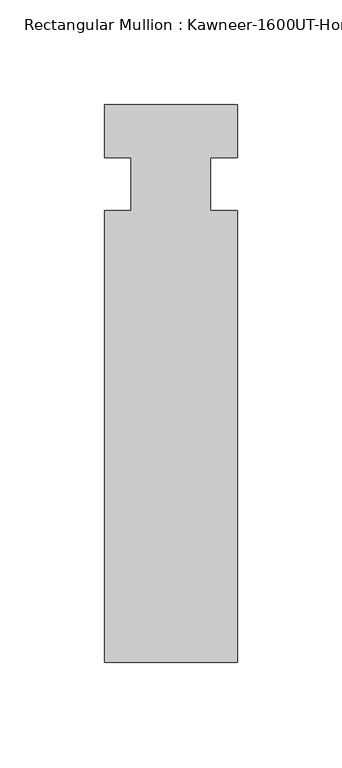
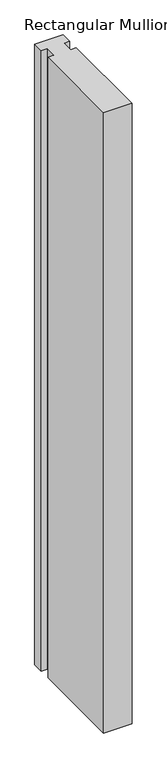
"""IFC4 building model written with IfcOpenShell, lengths in millimetres: member geometry."""

import ifcopenshell
import ifcopenshell.guid

model = None  # the IFC model being written
_history = None  # IfcOwnerHistory: only IFC2X3 demands one
_inside = {}  # id of a spatial element -> (the spatial element, [elements in it])
_under = {}  # id of a project, library or spatial element -> (it, [spatial elements below it])
_declared = {}  # id of a project -> (the project, [libraries it declares])
_typed = {}  # id of a type object -> (the type object, [elements of that type])
_made_of = {}  # id of a material, layer set ... -> (it, [elements and type objects made of it])


def new_model(schema):
    """Start an empty IFC model of exactly this schema.

    Asked for "IFC4X3", IfcOpenShell would pick the latest addendum, in which some entities
    have other attributes; the version numbers below select the first issue.
    IFC2X3 requires an IfcOwnerHistory on every rooted entity: one is made here for all.
    """
    global model, _history
    if schema == "IFC4X3":
        model = ifcopenshell.file(schema_version=(4, 3, 0, 0))
    else:
        model = ifcopenshell.file(schema=schema)
    _inside.clear()
    _under.clear()
    _declared.clear()
    _typed.clear()
    _made_of.clear()
    _history = None
    if model.schema == "IFC2X3":
        org = make("IfcOrganization", Name="unknown")
        user = make(
            "IfcPersonAndOrganization",
            ThePerson=make("IfcPerson", FamilyName="unknown"),
            TheOrganization=org,
        )
        app = make(
            "IfcApplication",
            ApplicationDeveloper=org,
            Version="unknown",
            ApplicationFullName="unknown",
            ApplicationIdentifier="unknown",
        )
        _history = make(
            "IfcOwnerHistory",
            OwningUser=user,
            OwningApplication=app,
            ChangeAction="ADDED",
            CreationDate=0,
        )
    return model


def make(cls, **values):
    """One entity of the class cls with the attributes given. An attribute that is None is left unset."""
    return model.create_entity(
        cls, **{name: value for name, value in values.items() if value is not None}
    )


def rooted(cls, **values):
    """An entity with a GlobalId (a new one), such as an element, a storey or a relation."""
    return make(cls, GlobalId=ifcopenshell.guid.new(), OwnerHistory=_history, **values)


def si_unit(unit_type, name, prefix=None):
    """IfcSIUnit, for example si_unit("LENGTHUNIT", "METRE", prefix="MILLI")."""
    return make("IfcSIUnit", UnitType=unit_type, Prefix=prefix, Name=name)


def assignment(units):
    """IfcUnitAssignment: the units of a project."""
    return None if units is None else make("IfcUnitAssignment", Units=units)


def point(xyz):
    """IfcCartesianPoint."""
    return None if xyz is None else make("IfcCartesianPoint", Coordinates=xyz)


def direction(xyz):
    """IfcDirection."""
    return None if xyz is None else make("IfcDirection", DirectionRatios=xyz)


def frame(location, z_axis=None, x_axis=None):
    """IfcAxis2Placement3D, a coordinate frame: its origin and axes. An axis left out is left unset."""
    return make(
        "IfcAxis2Placement3D",
        Location=point(location),
        Axis=direction(z_axis),
        RefDirection=direction(x_axis),
    )


def origin():
    """The frame at (0, 0, 0) with its axes left unset."""
    return frame((0.0, 0.0, 0.0))


def place(relative_to, where):
    """IfcLocalPlacement: puts the frame where relative to a parent placement (None: the world)."""
    return make(
        "IfcLocalPlacement", PlacementRelTo=relative_to, RelativePlacement=where
    )


def context(
    kind, dimensions, precision=None, world=None, true_north=None, identifier=None
):
    """IfcGeometricRepresentationContext, for example the 3D "Model" context."""
    return make(
        "IfcGeometricRepresentationContext",
        ContextIdentifier=identifier,
        ContextType=kind,
        CoordinateSpaceDimension=dimensions,
        Precision=precision,
        WorldCoordinateSystem=world,
        TrueNorth=true_north,
    )


def project(units=None, contexts=None):
    """IfcProject with its units and contexts."""
    return rooted(
        "IfcProject",
        Name="project",
        RepresentationContexts=contexts,
        UnitsInContext=assignment(units),
    )


def spatial(cls, under=None, at=None, **own):
    """A site, building, storey or space (cls), placed at a placement, below another one or the project."""
    s = rooted(cls, ObjectPlacement=at, **own)
    if under is not None:
        _under.setdefault(under.id(), (under, []))[1].append(s)
    return s


def polyline(points):
    """IfcPolyline through the points."""
    return make("IfcPolyline", Points=[point(p) for p in points])


def outline(outer, holes=None, kind="AREA"):
    """IfcArbitraryClosedProfileDef: a profile drawn as a closed curve; with holes, ...WithVoids."""
    if holes is None:
        return make("IfcArbitraryClosedProfileDef", ProfileType=kind, OuterCurve=outer)
    return make(
        "IfcArbitraryProfileDefWithVoids",
        ProfileType=kind,
        OuterCurve=outer,
        InnerCurves=holes,
    )


def extrude(swept, where, along, depth):
    """IfcExtrudedAreaSolid: the profile swept, set in the frame where, extruded along a direction by depth."""
    return make(
        "IfcExtrudedAreaSolid",
        SweptArea=swept,
        Position=where,
        ExtrudedDirection=direction(along),
        Depth=depth,
    )


def shape(context_of_items, identifier, shape_type, items):
    """IfcShapeRepresentation: the items that make up one representation, for example the "Body"."""
    return make(
        "IfcShapeRepresentation",
        ContextOfItems=context_of_items,
        RepresentationIdentifier=identifier,
        RepresentationType=shape_type,
        Items=items,
    )


def source(mapping_origin, context_of_items, identifier, shape_type, items):
    """IfcRepresentationMap: a shape defined once, which mapped items show again and again."""
    return make(
        "IfcRepresentationMap",
        MappingOrigin=mapping_origin,
        MappedRepresentation=shape(context_of_items, identifier, shape_type, items),
    )


def transform(
    local_origin,
    x_axis=None,
    y_axis=None,
    z_axis=None,
    scale=None,
    scale2=None,
    scale3=None,
    uniform=True,
):
    """IfcCartesianTransformationOperator3D, or its non-uniform kind. x_axis, y_axis, z_axis: its Axis1, 2, 3."""
    if uniform:
        return make(
            "IfcCartesianTransformationOperator3D",
            Axis1=direction(x_axis),
            Axis2=direction(y_axis),
            LocalOrigin=point(local_origin),
            Scale=scale,
            Axis3=direction(z_axis),
        )
    return make(
        "IfcCartesianTransformationOperator3DnonUniform",
        Axis1=direction(x_axis),
        Axis2=direction(y_axis),
        LocalOrigin=point(local_origin),
        Scale=scale,
        Axis3=direction(z_axis),
        Scale2=scale2,
        Scale3=scale3,
    )


def mapped(mapping_source, mapping_target):
    """IfcMappedItem: shows the shape of a source again, moved by a transform."""
    return make(
        "IfcMappedItem", MappingSource=mapping_source, MappingTarget=mapping_target
    )


def made_of(thing, what):
    """Note that an element or type object is made of a material, layer set ...; save() writes the relation."""
    if what is not None:
        _made_of.setdefault(what.id(), (what, []))[1].append(thing)
    return thing


def element(
    cls,
    number,
    at=None,
    inside=None,
    cuts=None,
    type_object=None,
    material=None,
    context=None,
    identifier="Body",
    shape_type=None,
    held_by="IfcProductDefinitionShape",
    body=None,
    shapes=None,
    **own,
):
    """One element of the class cls, such as IfcWall. Its Tag is "e" and its number.

    at: its placement. inside: the storey or other place that contains it. cuts: it is an
    opening in that element (IfcRelVoidsElement). A single representation is given by context,
    identifier, shape_type and body (its items); several are given by shapes. held_by: the class
    of the entity that holds the representations. save() writes the other relations.
    """
    e = rooted(cls, Tag="e%d" % number, ObjectPlacement=at, **own)
    if body is not None:
        shapes = [shape(context, identifier, shape_type, body)]
    if shapes is not None:
        e.Representation = make(held_by, Representations=shapes)
    if inside is not None:
        _inside.setdefault(inside.id(), (inside, []))[1].append(e)
    if cuts is not None:
        rooted(
            "IfcRelVoidsElement", RelatingBuildingElement=cuts, RelatedOpeningElement=e
        )
    if type_object is not None:
        _typed.setdefault(type_object.id(), (type_object, []))[1].append(e)
    return made_of(e, material)


def aggregate(whole, parts):
    """IfcRelAggregates: a whole, such as a stair, and the parts it consists of."""
    return rooted("IfcRelAggregates", RelatingObject=whole, RelatedObjects=parts)


def save(model, path):
    """Write the relations noted so far, then the file.

    IfcRelAggregates (storeys below a building ...), IfcRelContainedInSpatialStructure (elements
    in a storey), IfcRelDefinesByType, IfcRelAssociatesMaterial and IfcRelDeclares: one each for
    every whole, place, type object, material and project.
    """
    for whole, parts in _under.values():
        aggregate(whole, parts)
    for where, things in _inside.values():
        rooted(
            "IfcRelContainedInSpatialStructure",
            RelatedElements=things,
            RelatingStructure=where,
        )
    for kind, things in _typed.values():
        rooted("IfcRelDefinesByType", RelatedObjects=things, RelatingType=kind)
    for what, things in _made_of.values():
        rooted("IfcRelAssociatesMaterial", RelatedObjects=things, RelatingMaterial=what)
    for by, libraries in _declared.values():
        rooted("IfcRelDeclares", RelatingContext=by, RelatedDefinitions=libraries)
    model.write(path)


def member_eae1bea2(model_context):
    return source(origin(), model_context, "Body", "SweptSolid", [
        extrude(outline(polyline([(31.75, -228.6), (-31.75, -228.6), (-31.75, -12.7), (-19.05, -12.7), (-19.05, 12.7), (-31.75, 12.7), (-31.75, 38.1), (31.75, 38.1), (31.75, 12.7), (19.05, 12.7), (19.05, -12.7), (31.75, -12.7), (31.75, -228.6)])), frame((0.0, 0.0, -1463.675), z_axis=(0.0, 0.0, 1.0), x_axis=(1.0, 0.0, 0.0)), (0.0, 0.0, 1.0), 1463.675),
    ])


if __name__ == "__main__":
    model = new_model("IFC4")
    model_context = context("Model", 3, world=origin())
    ifc_project = project(units=[si_unit("LENGTHUNIT", "METRE", prefix="MILLI")], contexts=[model_context])
    site = spatial("IfcSite", under=ifc_project)
    building = spatial("IfcBuilding", under=site)
    placement = place(None, origin())
    member_shape = member_eae1bea2(model_context)
    element("IfcMember", 1, ObjectType="Rectangular Mullion : Kawneer-1600UT-Horizontal_Interior-Dbl_Glass-10_1/2\"", at=placement, inside=building, context=model_context, shape_type="MappedRepresentation", body=[
        mapped(member_shape, transform((0.0, 0.0, 0.0), x_axis=(1.0, 0.0, 0.0), y_axis=(0.0, 1.0, 0.0), z_axis=(0.0, 0.0, 1.0))),
    ])
    save(model, "model.ifc")
